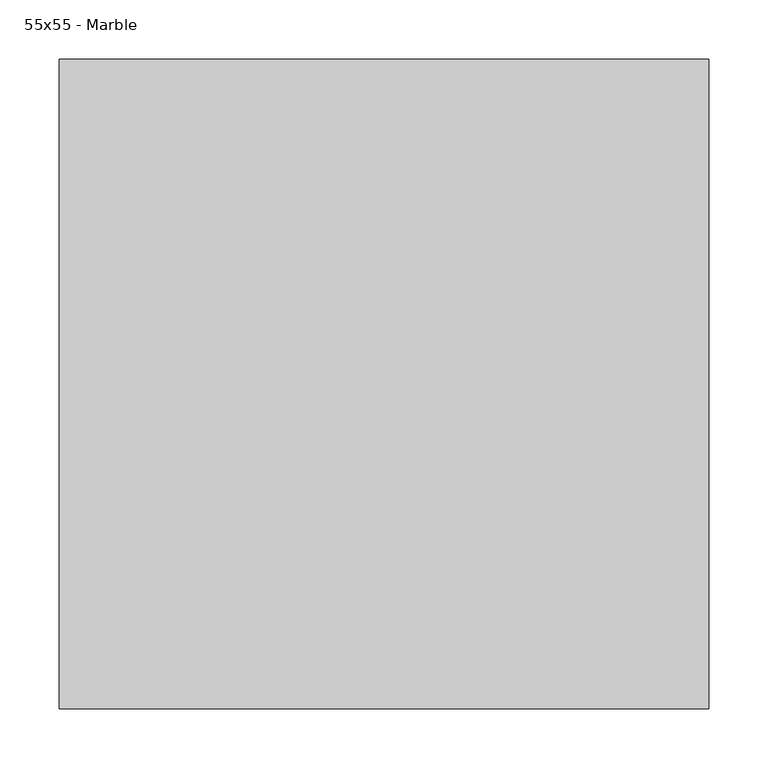
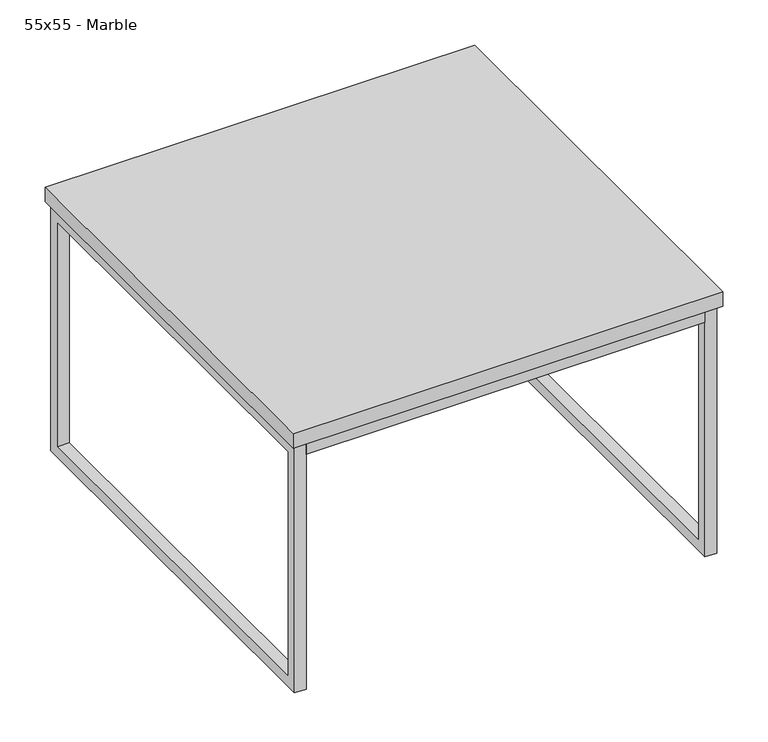
"""IFC4 building model written with IfcOpenShell, lengths in millimetres: furniture geometry, 55x55 - Marble."""

from ifc_helpers import new_model, si_unit, point, frame, frame_2d, origin, place, context, project, spatial, polyline, circle_curve, trimmed, segment, composite_curve, outline, extrude, source, transform, mapped, element, save


def furniture_55x55_marble_18d00b7c(model_context):
    return source(origin(), model_context, "Body", "SweptSolid", [
        extrude(outline(composite_curve([segment(trimmed(circle_curve(frame_2d((82.55, -11.8295393)), 5.08), [point((77.47, -11.8295393))], [point((87.63, -11.8295393))], False, "CARTESIAN"), True, "CONTINUOUS"), segment(trimmed(circle_curve(frame_2d((82.55, -11.8295393)), 5.08), [point((87.63, -11.8295393))], [point((77.47, -11.8295393))], False, "CARTESIAN"), True, "CONTINUOUS")], self_intersect=False)), frame((0.0, 0.0, 332.4626582), z_axis=(0.0, 0.0, 1.0), x_axis=(1.0, 0.0, 0.0)), (0.0, 0.0, 1.0), 3.4530603),
        extrude(outline(composite_curve([segment(trimmed(circle_curve(frame_2d((82.55, -537.3661025)), 5.08), [point((77.47, -537.3661025))], [point((87.63, -537.3661025))], False, "CARTESIAN"), True, "CONTINUOUS"), segment(trimmed(circle_curve(frame_2d((82.55, -537.3661025)), 5.08), [point((87.63, -537.3661025))], [point((77.47, -537.3661025))], False, "CARTESIAN"), True, "CONTINUOUS")], self_intersect=False)), frame((0.0, 0.0, 332.4626582), z_axis=(0.0, 0.0, 1.0), x_axis=(1.0, 0.0, 0.0)), (0.0, 0.0, 1.0), 3.4530603),
        extrude(outline(composite_curve([segment(trimmed(circle_curve(frame_2d((467.45, -11.8295393)), 5.08), [point((462.37, -11.8295393))], [point((472.53, -11.8295393))], False, "CARTESIAN"), True, "CONTINUOUS"), segment(trimmed(circle_curve(frame_2d((467.45, -11.8295393)), 5.08), [point((472.53, -11.8295393))], [point((462.37, -11.8295393))], False, "CARTESIAN"), True, "CONTINUOUS")], self_intersect=False)), frame((0.0, 0.0, 332.4626582), z_axis=(0.0, 0.0, 1.0), x_axis=(1.0, 0.0, 0.0)), (0.0, 0.0, 1.0), 3.4530603),
        extrude(outline(composite_curve([segment(trimmed(circle_curve(frame_2d((467.45, -537.3661025)), 5.08), [point((462.37, -537.3661025))], [point((472.53, -537.3661025))], False, "CARTESIAN"), True, "CONTINUOUS"), segment(trimmed(circle_curve(frame_2d((467.45, -537.3661025)), 5.08), [point((472.53, -537.3661025))], [point((462.37, -537.3661025))], False, "CARTESIAN"), True, "CONTINUOUS")], self_intersect=False)), frame((0.0, 0.0, 332.4626582), z_axis=(0.0, 0.0, 1.0), x_axis=(1.0, 0.0, 0.0)), (0.0, 0.0, 1.0), 3.4530603),
        extrude(outline(composite_curve([segment(trimmed(circle_curve(frame_2d((275.0, -11.8295393)), 5.08), [point((269.92, -11.8295393))], [point((280.08, -11.8295393))], False, "CARTESIAN"), True, "CONTINUOUS"), segment(trimmed(circle_curve(frame_2d((275.0, -11.8295393)), 5.08), [point((280.08, -11.8295393))], [point((269.92, -11.8295393))], False, "CARTESIAN"), True, "CONTINUOUS")], self_intersect=False)), frame((0.0, 0.0, 332.4626582), z_axis=(0.0, 0.0, 1.0), x_axis=(1.0, 0.0, 0.0)), (0.0, 0.0, 1.0), 3.4530603),
        extrude(outline(composite_curve([segment(trimmed(circle_curve(frame_2d((275.0, -537.3661025)), 5.08), [point((269.92, -537.3661025))], [point((280.08, -537.3661025))], False, "CARTESIAN"), True, "CONTINUOUS"), segment(trimmed(circle_curve(frame_2d((275.0, -537.3661025)), 5.08), [point((280.08, -537.3661025))], [point((269.92, -537.3661025))], False, "CARTESIAN"), True, "CONTINUOUS")], self_intersect=False)), frame((0.0, 0.0, 332.4626582), z_axis=(0.0, 0.0, 1.0), x_axis=(1.0, 0.0, 0.0)), (0.0, 0.0, 1.0), 3.4530603),
        extrude(outline(composite_curve([segment(trimmed(circle_curve(frame_2d((12.2549749, -82.55)), 5.08), [point((7.1749749, -82.55))], [point((17.3349749, -82.55))], False, "CARTESIAN"), True, "CONTINUOUS"), segment(trimmed(circle_curve(frame_2d((12.2549749, -82.55)), 5.08), [point((17.3349749, -82.55))], [point((7.1749749, -82.55))], False, "CARTESIAN"), True, "CONTINUOUS")], self_intersect=False)), frame((0.0, 0.0, 332.4626582), z_axis=(0.0, 0.0, 1.0), x_axis=(1.0, 0.0, 0.0)), (0.0, 0.0, 1.0), 3.4530603),
        extrude(outline(composite_curve([segment(trimmed(circle_curve(frame_2d((12.2549749, -275.0)), 5.08), [point((7.1749749, -275.0))], [point((17.3349749, -275.0))], False, "CARTESIAN"), True, "CONTINUOUS"), segment(trimmed(circle_curve(frame_2d((12.2549749, -275.0)), 5.08), [point((17.3349749, -275.0))], [point((7.1749749, -275.0))], False, "CARTESIAN"), True, "CONTINUOUS")], self_intersect=False)), frame((0.0, 0.0, 332.4626582), z_axis=(0.0, 0.0, 1.0), x_axis=(1.0, 0.0, 0.0)), (0.0, 0.0, 1.0), 3.4530603),
        extrude(outline(composite_curve([segment(trimmed(circle_curve(frame_2d((12.2549749, -467.45)), 5.08), [point((7.1749749, -467.45))], [point((17.3349749, -467.45))], False, "CARTESIAN"), True, "CONTINUOUS"), segment(trimmed(circle_curve(frame_2d((12.2549749, -467.45)), 5.08), [point((17.3349749, -467.45))], [point((7.1749749, -467.45))], False, "CARTESIAN"), True, "CONTINUOUS")], self_intersect=False)), frame((0.0, 0.0, 332.4626582), z_axis=(0.0, 0.0, 1.0), x_axis=(1.0, 0.0, 0.0)), (0.0, 0.0, 1.0), 3.4530603),
        extrude(outline(composite_curve([segment(trimmed(circle_curve(frame_2d((537.8490251, -82.55)), 5.08), [point((532.7690251, -82.55))], [point((542.9290251, -82.55))], False, "CARTESIAN"), True, "CONTINUOUS"), segment(trimmed(circle_curve(frame_2d((537.8490251, -82.55)), 5.08), [point((542.9290251, -82.55))], [point((532.7690251, -82.55))], False, "CARTESIAN"), True, "CONTINUOUS")], self_intersect=False)), frame((0.0, 0.0, 332.4626582), z_axis=(0.0, 0.0, 1.0), x_axis=(1.0, 0.0, 0.0)), (0.0, 0.0, 1.0), 3.4530603),
        extrude(outline(composite_curve([segment(trimmed(circle_curve(frame_2d((537.8490251, -275.0)), 5.08), [point((532.7690251, -275.0))], [point((542.9290251, -275.0))], False, "CARTESIAN"), True, "CONTINUOUS"), segment(trimmed(circle_curve(frame_2d((537.8490251, -275.0)), 5.08), [point((542.9290251, -275.0))], [point((532.7690251, -275.0))], False, "CARTESIAN"), True, "CONTINUOUS")], self_intersect=False)), frame((0.0, 0.0, 332.4626582), z_axis=(0.0, 0.0, 1.0), x_axis=(1.0, 0.0, 0.0)), (0.0, 0.0, 1.0), 3.4530603),
        extrude(outline(composite_curve([segment(trimmed(circle_curve(frame_2d((537.8490251, -467.45)), 5.08), [point((532.7690251, -467.45))], [point((542.9290251, -467.45))], False, "CARTESIAN"), True, "CONTINUOUS"), segment(trimmed(circle_curve(frame_2d((537.8490251, -467.45)), 5.08), [point((542.9290251, -467.45))], [point((532.7690251, -467.45))], False, "CARTESIAN"), True, "CONTINUOUS")], self_intersect=False)), frame((0.0, 0.0, 332.4626582), z_axis=(0.0, 0.0, 1.0), x_axis=(1.0, 0.0, 0.0)), (0.0, 0.0, 1.0), 3.4530603),
        extrude(outline(polyline([(530.219228, -4.2938053), (530.219228, -19.2935438), (19.780772, -19.2935438), (19.780772, -4.2938053), (530.219228, -4.2938053)])), frame((0.0, 0.0, 317.4629197), z_axis=(0.0, 0.0, 1.0), x_axis=(1.0, 0.0, 0.0)), (0.0, 0.0, 1.0), 14.9997385),
        extrude(outline(polyline([(530.219228, -529.4321784), (530.219228, -544.4319169), (19.780772, -544.4319169), (19.780772, -529.4321784), (530.219228, -529.4321784)])), frame((0.0, 0.0, 317.4629197), z_axis=(0.0, 0.0, 1.0), x_axis=(1.0, 0.0, 0.0)), (0.0, 0.0, 1.0), 14.9997385),
        extrude(outline(polyline([(-544.4319169, 332.4626582), (-4.2938053, 332.4626582), (-4.2938053, 0.0), (-544.4319169, 0.0), (-544.4319169, 332.4626582)]), holes=[polyline([(-529.4321784, 14.9997385), (-19.2935438, 14.9997385), (-19.2935438, 317.4629197), (-529.4321784, 317.4629197), (-529.4321784, 14.9997385)])]), frame((530.219228, 0.0, 0.0), z_axis=(1.0, 0.0, 0.0), x_axis=(0.0, 1.0, 0.0)), (0.0, 0.0, 1.0), 15.0515942),
        extrude(outline(polyline([(-544.4319169, 332.4626582), (-4.2938053, 332.4626582), (-4.2938053, 0.0), (-544.4319169, 0.0), (-544.4319169, 332.4626582)]), holes=[polyline([(-529.4321784, 14.9997385), (-19.2935438, 14.9997385), (-19.2935438, 317.4629197), (-529.4321784, 317.4629197), (-529.4321784, 14.9997385)])]), frame((4.7291778, 0.0, 0.0), z_axis=(1.0, 0.0, 0.0), x_axis=(0.0, 1.0, 0.0)), (0.0, 0.0, 1.0), 15.0515942),
        extrude(outline(polyline([(550.0, 0.0), (550.0, -550.0), (0.0, -550.0), (0.0, 0.0), (550.0, 0.0)])), frame((0.0, 0.0, 335.9157185), z_axis=(0.0, 0.0, 1.0), x_axis=(1.0, 0.0, 0.0)), (0.0, 0.0, 1.0), 19.6842815),
    ])


if __name__ == "__main__":
    model = new_model("IFC4")
    model_context = context("Model", 3, world=origin())
    ifc_project = project(units=[si_unit("LENGTHUNIT", "METRE", prefix="MILLI")], contexts=[model_context])
    site = spatial("IfcSite", under=ifc_project)
    building = spatial("IfcBuilding", under=site)
    placement = place(None, origin())
    furniture_55x55_marble_shape = furniture_55x55_marble_18d00b7c(model_context)
    element("IfcFurniture", 1, ObjectType="55x55 - Marble", at=placement, inside=building, context=model_context, shape_type="MappedRepresentation", body=[
        mapped(furniture_55x55_marble_shape, transform((0.0, 0.0, 0.0), x_axis=(1.0, 0.0, 0.0), y_axis=(0.0, 1.0, 0.0), z_axis=(0.0, 0.0, 1.0))),
    ])
    save(model, "model.ifc")
